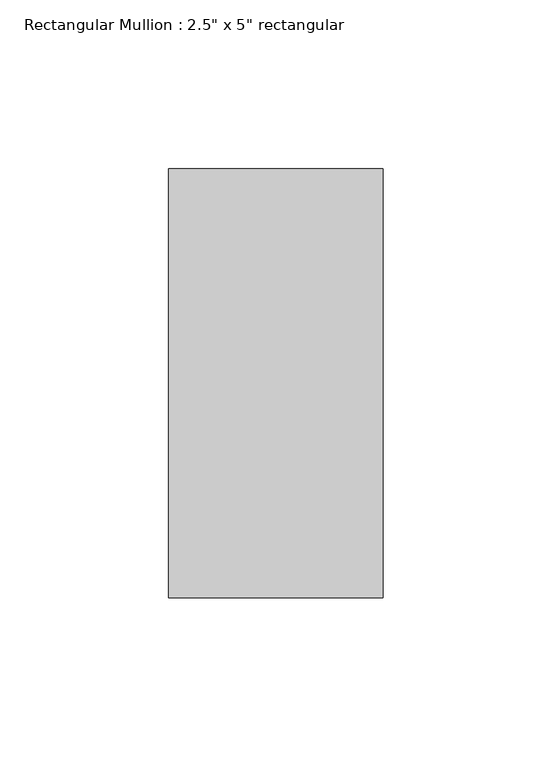
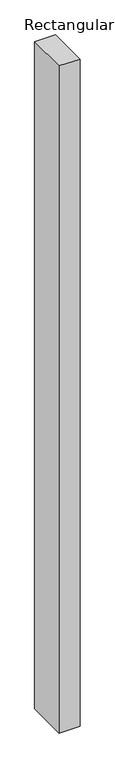
"""IFC4 building model written with IfcOpenShell, lengths in millimetres: member geometry."""

import ifcopenshell
import ifcopenshell.guid

model = None  # the IFC model being written
_history = None  # IfcOwnerHistory: only IFC2X3 demands one
_inside = {}  # id of a spatial element -> (the spatial element, [elements in it])
_under = {}  # id of a project, library or spatial element -> (it, [spatial elements below it])
_declared = {}  # id of a project -> (the project, [libraries it declares])
_typed = {}  # id of a type object -> (the type object, [elements of that type])
_made_of = {}  # id of a material, layer set ... -> (it, [elements and type objects made of it])


def new_model(schema):
    """Start an empty IFC model of exactly this schema.

    Asked for "IFC4X3", IfcOpenShell would pick the latest addendum, in which some entities
    have other attributes; the version numbers below select the first issue.
    IFC2X3 requires an IfcOwnerHistory on every rooted entity: one is made here for all.
    """
    global model, _history
    if schema == "IFC4X3":
        model = ifcopenshell.file(schema_version=(4, 3, 0, 0))
    else:
        model = ifcopenshell.file(schema=schema)
    _inside.clear()
    _under.clear()
    _declared.clear()
    _typed.clear()
    _made_of.clear()
    _history = None
    if model.schema == "IFC2X3":
        org = make("IfcOrganization", Name="unknown")
        user = make(
            "IfcPersonAndOrganization",
            ThePerson=make("IfcPerson", FamilyName="unknown"),
            TheOrganization=org,
        )
        app = make(
            "IfcApplication",
            ApplicationDeveloper=org,
            Version="unknown",
            ApplicationFullName="unknown",
            ApplicationIdentifier="unknown",
        )
        _history = make(
            "IfcOwnerHistory",
            OwningUser=user,
            OwningApplication=app,
            ChangeAction="ADDED",
            CreationDate=0,
        )
    return model


def make(cls, **values):
    """One entity of the class cls with the attributes given. An attribute that is None is left unset."""
    return model.create_entity(
        cls, **{name: value for name, value in values.items() if value is not None}
    )


def rooted(cls, **values):
    """An entity with a GlobalId (a new one), such as an element, a storey or a relation."""
    return make(cls, GlobalId=ifcopenshell.guid.new(), OwnerHistory=_history, **values)


def si_unit(unit_type, name, prefix=None):
    """IfcSIUnit, for example si_unit("LENGTHUNIT", "METRE", prefix="MILLI")."""
    return make("IfcSIUnit", UnitType=unit_type, Prefix=prefix, Name=name)


def assignment(units):
    """IfcUnitAssignment: the units of a project."""
    return None if units is None else make("IfcUnitAssignment", Units=units)


def point(xyz):
    """IfcCartesianPoint."""
    return None if xyz is None else make("IfcCartesianPoint", Coordinates=xyz)


def direction(xyz):
    """IfcDirection."""
    return None if xyz is None else make("IfcDirection", DirectionRatios=xyz)


def frame(location, z_axis=None, x_axis=None):
    """IfcAxis2Placement3D, a coordinate frame: its origin and axes. An axis left out is left unset."""
    return make(
        "IfcAxis2Placement3D",
        Location=point(location),
        Axis=direction(z_axis),
        RefDirection=direction(x_axis),
    )


def origin():
    """The frame at (0, 0, 0) with its axes left unset."""
    return frame((0.0, 0.0, 0.0))


def place(relative_to, where):
    """IfcLocalPlacement: puts the frame where relative to a parent placement (None: the world)."""
    return make(
        "IfcLocalPlacement", PlacementRelTo=relative_to, RelativePlacement=where
    )


def context(
    kind, dimensions, precision=None, world=None, true_north=None, identifier=None
):
    """IfcGeometricRepresentationContext, for example the 3D "Model" context."""
    return make(
        "IfcGeometricRepresentationContext",
        ContextIdentifier=identifier,
        ContextType=kind,
        CoordinateSpaceDimension=dimensions,
        Precision=precision,
        WorldCoordinateSystem=world,
        TrueNorth=true_north,
    )


def project(units=None, contexts=None):
    """IfcProject with its units and contexts."""
    return rooted(
        "IfcProject",
        Name="project",
        RepresentationContexts=contexts,
        UnitsInContext=assignment(units),
    )


def spatial(cls, under=None, at=None, **own):
    """A site, building, storey or space (cls), placed at a placement, below another one or the project."""
    s = rooted(cls, ObjectPlacement=at, **own)
    if under is not None:
        _under.setdefault(under.id(), (under, []))[1].append(s)
    return s


def polyline(points):
    """IfcPolyline through the points."""
    return make("IfcPolyline", Points=[point(p) for p in points])


def outline(outer, holes=None, kind="AREA"):
    """IfcArbitraryClosedProfileDef: a profile drawn as a closed curve; with holes, ...WithVoids."""
    if holes is None:
        return make("IfcArbitraryClosedProfileDef", ProfileType=kind, OuterCurve=outer)
    return make(
        "IfcArbitraryProfileDefWithVoids",
        ProfileType=kind,
        OuterCurve=outer,
        InnerCurves=holes,
    )


def extrude(swept, where, along, depth):
    """IfcExtrudedAreaSolid: the profile swept, set in the frame where, extruded along a direction by depth."""
    return make(
        "IfcExtrudedAreaSolid",
        SweptArea=swept,
        Position=where,
        ExtrudedDirection=direction(along),
        Depth=depth,
    )


def shape(context_of_items, identifier, shape_type, items):
    """IfcShapeRepresentation: the items that make up one representation, for example the "Body"."""
    return make(
        "IfcShapeRepresentation",
        ContextOfItems=context_of_items,
        RepresentationIdentifier=identifier,
        RepresentationType=shape_type,
        Items=items,
    )


def source(mapping_origin, context_of_items, identifier, shape_type, items):
    """IfcRepresentationMap: a shape defined once, which mapped items show again and again."""
    return make(
        "IfcRepresentationMap",
        MappingOrigin=mapping_origin,
        MappedRepresentation=shape(context_of_items, identifier, shape_type, items),
    )


def transform(
    local_origin,
    x_axis=None,
    y_axis=None,
    z_axis=None,
    scale=None,
    scale2=None,
    scale3=None,
    uniform=True,
):
    """IfcCartesianTransformationOperator3D, or its non-uniform kind. x_axis, y_axis, z_axis: its Axis1, 2, 3."""
    if uniform:
        return make(
            "IfcCartesianTransformationOperator3D",
            Axis1=direction(x_axis),
            Axis2=direction(y_axis),
            LocalOrigin=point(local_origin),
            Scale=scale,
            Axis3=direction(z_axis),
        )
    return make(
        "IfcCartesianTransformationOperator3DnonUniform",
        Axis1=direction(x_axis),
        Axis2=direction(y_axis),
        LocalOrigin=point(local_origin),
        Scale=scale,
        Axis3=direction(z_axis),
        Scale2=scale2,
        Scale3=scale3,
    )


def mapped(mapping_source, mapping_target):
    """IfcMappedItem: shows the shape of a source again, moved by a transform."""
    return make(
        "IfcMappedItem", MappingSource=mapping_source, MappingTarget=mapping_target
    )


def made_of(thing, what):
    """Note that an element or type object is made of a material, layer set ...; save() writes the relation."""
    if what is not None:
        _made_of.setdefault(what.id(), (what, []))[1].append(thing)
    return thing


def element(
    cls,
    number,
    at=None,
    inside=None,
    cuts=None,
    type_object=None,
    material=None,
    context=None,
    identifier="Body",
    shape_type=None,
    held_by="IfcProductDefinitionShape",
    body=None,
    shapes=None,
    **own,
):
    """One element of the class cls, such as IfcWall. Its Tag is "e" and its number.

    at: its placement. inside: the storey or other place that contains it. cuts: it is an
    opening in that element (IfcRelVoidsElement). A single representation is given by context,
    identifier, shape_type and body (its items); several are given by shapes. held_by: the class
    of the entity that holds the representations. save() writes the other relations.
    """
    e = rooted(cls, Tag="e%d" % number, ObjectPlacement=at, **own)
    if body is not None:
        shapes = [shape(context, identifier, shape_type, body)]
    if shapes is not None:
        e.Representation = make(held_by, Representations=shapes)
    if inside is not None:
        _inside.setdefault(inside.id(), (inside, []))[1].append(e)
    if cuts is not None:
        rooted(
            "IfcRelVoidsElement", RelatingBuildingElement=cuts, RelatedOpeningElement=e
        )
    if type_object is not None:
        _typed.setdefault(type_object.id(), (type_object, []))[1].append(e)
    return made_of(e, material)


def aggregate(whole, parts):
    """IfcRelAggregates: a whole, such as a stair, and the parts it consists of."""
    return rooted("IfcRelAggregates", RelatingObject=whole, RelatedObjects=parts)


def save(model, path):
    """Write the relations noted so far, then the file.

    IfcRelAggregates (storeys below a building ...), IfcRelContainedInSpatialStructure (elements
    in a storey), IfcRelDefinesByType, IfcRelAssociatesMaterial and IfcRelDeclares: one each for
    every whole, place, type object, material and project.
    """
    for whole, parts in _under.values():
        aggregate(whole, parts)
    for where, things in _inside.values():
        rooted(
            "IfcRelContainedInSpatialStructure",
            RelatedElements=things,
            RelatingStructure=where,
        )
    for kind, things in _typed.values():
        rooted("IfcRelDefinesByType", RelatedObjects=things, RelatingType=kind)
    for what, things in _made_of.values():
        rooted("IfcRelAssociatesMaterial", RelatedObjects=things, RelatingMaterial=what)
    for by, libraries in _declared.values():
        rooted("IfcRelDeclares", RelatingContext=by, RelatedDefinitions=libraries)
    model.write(path)


def member_7fb9db73(model_context):
    return source(origin(), model_context, "Body", "SweptSolid", [
        extrude(outline(polyline([(0.0, 63.5), (0.0, -63.5), (-63.5, -63.5), (-63.5, 63.5), (0.0, 63.5)])), frame((0.0, 0.0, -2130.95), z_axis=(0.0, 0.0, 1.0), x_axis=(1.0, 0.0, 0.0)), (0.0, 0.0, 1.0), 2130.95),
    ])


if __name__ == "__main__":
    model = new_model("IFC4")
    model_context = context("Model", 3, world=origin())
    ifc_project = project(units=[si_unit("LENGTHUNIT", "METRE", prefix="MILLI")], contexts=[model_context])
    site = spatial("IfcSite", under=ifc_project)
    building = spatial("IfcBuilding", under=site)
    placement = place(None, origin())
    member_shape = member_7fb9db73(model_context)
    element("IfcMember", 1, ObjectType="Rectangular Mullion : 2.5\" x 5\" rectangular", at=placement, inside=building, context=model_context, shape_type="MappedRepresentation", body=[
        mapped(member_shape, transform((0.0, 0.0, 0.0), x_axis=(1.0, 0.0, 0.0), y_axis=(0.0, 1.0, 0.0), z_axis=(0.0, 0.0, 1.0))),
    ])
    save(model, "model.ifc")
